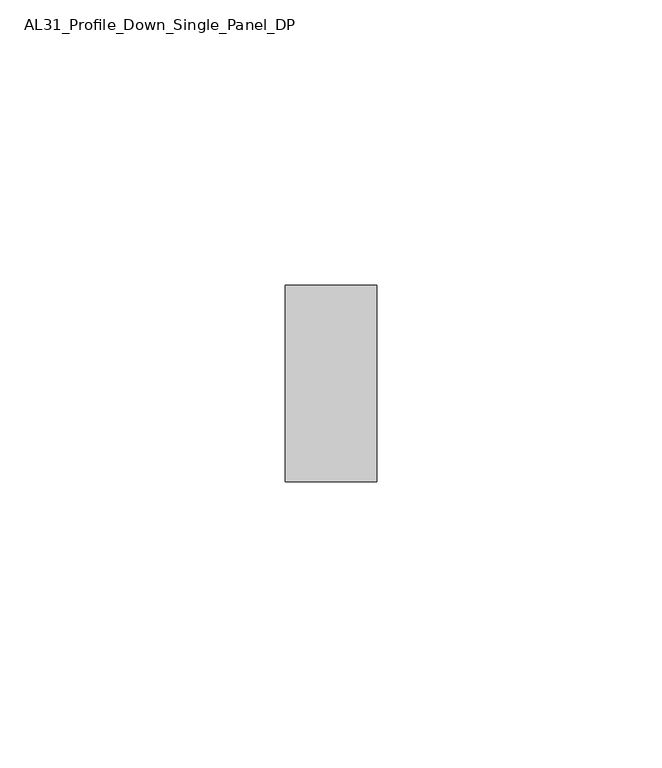
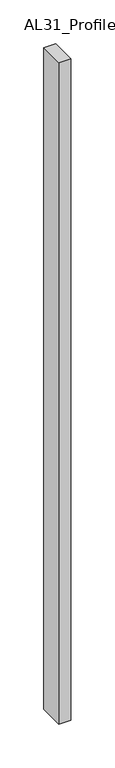
"""IFC4 building model written with IfcOpenShell, lengths in millimetres: member geometry, AL31_Profile_Down_Single_Panel_DP."""

from ifc_helpers import new_model, si_unit, frame, origin, place, context, project, spatial, polyline, outline, extrude, source, transform, mapped, element, save


def al31_profile_down_single_panel_dp_a07061f3(model_context):
    return source(origin(), model_context, "Body", "SweptSolid", [
        extrude(outline(polyline([(0.0, 37.107), (0.0, 2.607), (-16.0427074, 2.607), (-16.0427074, 37.107), (0.0, 37.107)])), frame((0.0, 0.0, -925.0), z_axis=(0.0, 0.0, 1.0), x_axis=(1.0, 0.0, 0.0)), (0.0, 0.0, 1.0), 925.0),
    ])


if __name__ == "__main__":
    model = new_model("IFC4")
    model_context = context("Model", 3, world=origin())
    ifc_project = project(units=[si_unit("LENGTHUNIT", "METRE", prefix="MILLI")], contexts=[model_context])
    site = spatial("IfcSite", under=ifc_project)
    building = spatial("IfcBuilding", under=site)
    placement = place(None, origin())
    al31_profile_down_single_panel_dp_shape = al31_profile_down_single_panel_dp_a07061f3(model_context)
    element("IfcMember", 1, ObjectType="AL31_Profile_Down_Single_Panel_DP", at=placement, inside=building, context=model_context, shape_type="MappedRepresentation", body=[
        mapped(al31_profile_down_single_panel_dp_shape, transform((0.0, 0.0, 0.0), x_axis=(1.0, 0.0, 0.0), y_axis=(0.0, 1.0, 0.0), z_axis=(0.0, 0.0, 1.0))),
    ])
    save(model, "model.ifc")
